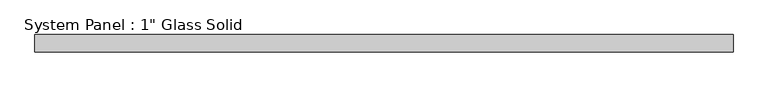
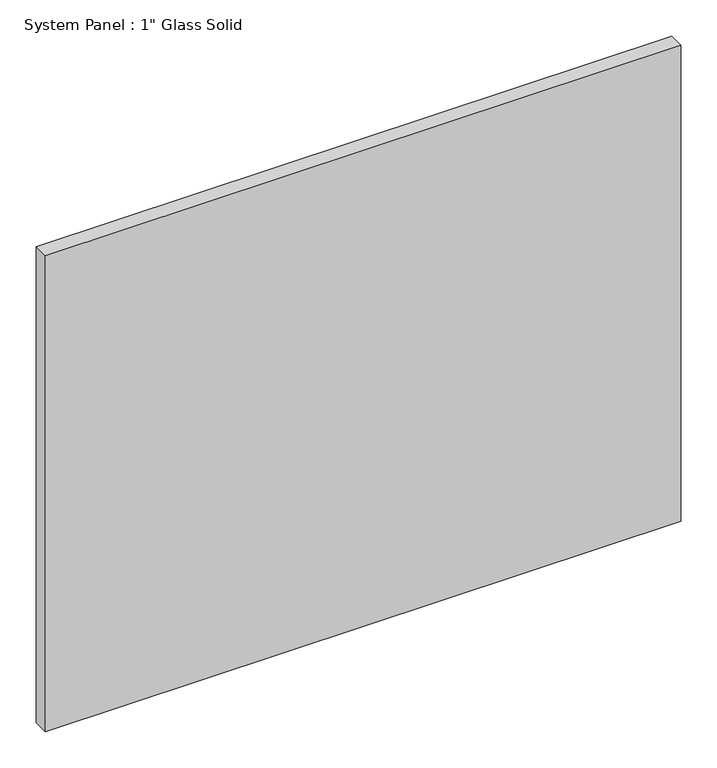
"""IFC4 building model written with IfcOpenShell, lengths in millimetres: plate geometry."""

from ifc_helpers import new_model, si_unit, origin, origin_with_axes, place, context, project, spatial, polyline, outline, extrude, source, transform, mapped, element, save


def plate_16962188(model_context):
    return source(origin(), model_context, "Body", "SweptSolid", [
        extrude(outline(polyline([(509.0583333, -12.7), (-509.0583333, -12.7), (-509.0583333, 12.7), (509.0583333, 12.7), (509.0583333, -12.7)])), origin_with_axes(), (0.0, 0.0, 1.0), 806.45),
    ])


if __name__ == "__main__":
    model = new_model("IFC4")
    model_context = context("Model", 3, world=origin())
    ifc_project = project(units=[si_unit("LENGTHUNIT", "METRE", prefix="MILLI")], contexts=[model_context])
    site = spatial("IfcSite", under=ifc_project)
    building = spatial("IfcBuilding", under=site)
    placement = place(None, origin())
    plate_shape = plate_16962188(model_context)
    element("IfcPlate", 1, ObjectType="System Panel : 1\" Glass Solid", at=placement, inside=building, context=model_context, shape_type="MappedRepresentation", body=[
        mapped(plate_shape, transform((0.0, 0.0, 0.0), x_axis=(1.0, 0.0, 0.0), y_axis=(0.0, 1.0, 0.0), z_axis=(0.0, 0.0, 1.0))),
    ])
    save(model, "model.ifc")
